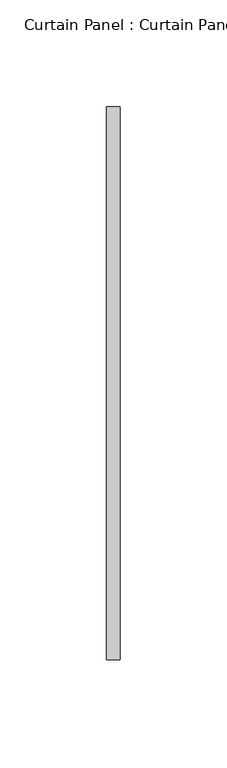
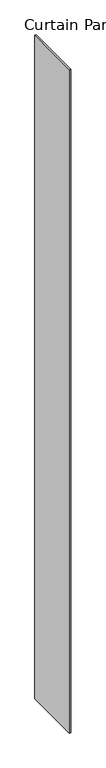
"""IFC4 building model written with IfcOpenShell, lengths in millimetres: plate geometry, Curtain Panel : Curtain Panel."""

from ifc_helpers import new_model, si_unit, origin, origin_with_axes, place, context, project, spatial, polyline, outline, extrude, source, transform, mapped, element, save


def curtain_panel_curtain_panel_1c520150(model_context):
    return source(origin(), model_context, "Body", "SweptSolid", [
        extrude(outline(polyline([(338524.8882494, 1856.4504387), (338524.8882494, 1597.6879387), (338518.5382494, 1597.6879387), (338518.5382494, 1856.4504387), (338524.8882494, 1856.4504387)])), origin_with_axes(), (0.0, 0.0, 1.0), 3048.0),
    ])


if __name__ == "__main__":
    model = new_model("IFC4")
    model_context = context("Model", 3, world=origin())
    ifc_project = project(units=[si_unit("LENGTHUNIT", "METRE", prefix="MILLI")], contexts=[model_context])
    site = spatial("IfcSite", under=ifc_project)
    building = spatial("IfcBuilding", under=site)
    placement = place(None, origin())
    curtain_panel_curtain_panel_shape = curtain_panel_curtain_panel_1c520150(model_context)
    element("IfcPlate", 1, ObjectType="Curtain Panel : Curtain Panel", at=placement, inside=building, context=model_context, shape_type="MappedRepresentation", body=[
        mapped(curtain_panel_curtain_panel_shape, transform((0.0, 0.0, 0.0), x_axis=(1.0, 0.0, 0.0), y_axis=(0.0, 1.0, 0.0), z_axis=(0.0, 0.0, 1.0))),
    ])
    save(model, "model.ifc")
